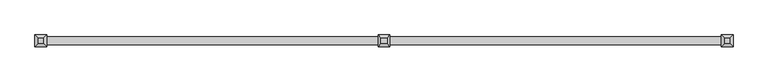
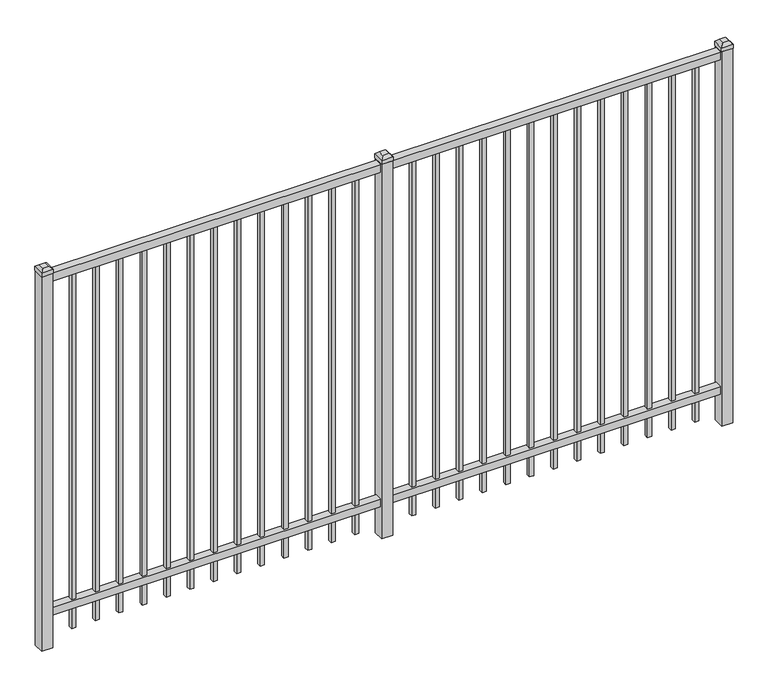
"""IFC4 building model written with IfcOpenShell, lengths in millimetres: railing geometry."""

from ifc_helpers import new_model, si_unit, frame, origin, origin_with_axes, place, context, project, spatial, polyline, outline, extrude, faceted_brep, source, transform, mapped, element, save


def railing_0611d5b8(model_context):
    return source(origin(), model_context, "Body", "SolidModel", [
        extrude(outline(polyline([(-67441.318087, 3004.8804826), (-67441.318087, 3039.8054826), (-64291.718087, 3039.8054826), (-64291.718087, 3004.8804826), (-67441.318087, 3004.8804826)])), frame((0.0, 0.0, 1790.7), z_axis=(0.0, 0.0, 1.0), x_axis=(1.0, 0.0, 0.0)), (0.0, 0.0, 1.0), 38.1),
        extrude(outline(polyline([(-67441.318087, 3004.8804826), (-67441.318087, 3039.8054826), (-64291.718087, 3039.8054826), (-64291.718087, 3004.8804826), (-67441.318087, 3004.8804826)])), frame((0.0, 0.0, 152.4), z_axis=(0.0, 0.0, 1.0), x_axis=(1.0, 0.0, 0.0)), (0.0, 0.0, 1.0), 38.1),
        extrude(outline(polyline([(-64523.2285036, 3031.8679826), (-64523.2285036, 3012.8179826), (-64542.2785036, 3012.8179826), (-64542.2785036, 3031.8679826), (-64523.2285036, 3031.8679826)])), frame((0.0, 0.0, 50.8), z_axis=(0.0, 0.0, 1.0), x_axis=(1.0, 0.0, 0.0)), (0.0, 0.0, 1.0), 1739.9),
        extrude(outline(polyline([(-64632.5014203, 3031.8679826), (-64632.5014203, 3012.8179826), (-64651.5514203, 3012.8179826), (-64651.5514203, 3031.8679826), (-64632.5014203, 3031.8679826)])), frame((0.0, 0.0, 50.8), z_axis=(0.0, 0.0, 1.0), x_axis=(1.0, 0.0, 0.0)), (0.0, 0.0, 1.0), 1739.9),
        extrude(outline(polyline([(-64741.774337, 3031.8679826), (-64741.774337, 3012.8179826), (-64760.824337, 3012.8179826), (-64760.824337, 3031.8679826), (-64741.774337, 3031.8679826)])), frame((0.0, 0.0, 50.8), z_axis=(0.0, 0.0, 1.0), x_axis=(1.0, 0.0, 0.0)), (0.0, 0.0, 1.0), 1739.9),
        extrude(outline(polyline([(-64851.0472536, 3031.8679826), (-64851.0472536, 3012.8179826), (-64870.0972536, 3012.8179826), (-64870.0972536, 3031.8679826), (-64851.0472536, 3031.8679826)])), frame((0.0, 0.0, 50.8), z_axis=(0.0, 0.0, 1.0), x_axis=(1.0, 0.0, 0.0)), (0.0, 0.0, 1.0), 1739.9),
        extrude(outline(polyline([(-64960.3201703, 3031.8679826), (-64960.3201703, 3012.8179826), (-64979.3701703, 3012.8179826), (-64979.3701703, 3031.8679826), (-64960.3201703, 3031.8679826)])), frame((0.0, 0.0, 50.8), z_axis=(0.0, 0.0, 1.0), x_axis=(1.0, 0.0, 0.0)), (0.0, 0.0, 1.0), 1739.9),
        extrude(outline(polyline([(-65069.593087, 3031.8679826), (-65069.593087, 3012.8179826), (-65088.643087, 3012.8179826), (-65088.643087, 3031.8679826), (-65069.593087, 3031.8679826)])), frame((0.0, 0.0, 50.8), z_axis=(0.0, 0.0, 1.0), x_axis=(1.0, 0.0, 0.0)), (0.0, 0.0, 1.0), 1739.9),
        extrude(outline(polyline([(-65178.8660036, 3031.8679826), (-65178.8660036, 3012.8179826), (-65197.9160036, 3012.8179826), (-65197.9160036, 3031.8679826), (-65178.8660036, 3031.8679826)])), frame((0.0, 0.0, 50.8), z_axis=(0.0, 0.0, 1.0), x_axis=(1.0, 0.0, 0.0)), (0.0, 0.0, 1.0), 1739.9),
        extrude(outline(polyline([(-65288.1389203, 3031.8679826), (-65288.1389203, 3012.8179826), (-65307.1889203, 3012.8179826), (-65307.1889203, 3031.8679826), (-65288.1389203, 3031.8679826)])), frame((0.0, 0.0, 50.8), z_axis=(0.0, 0.0, 1.0), x_axis=(1.0, 0.0, 0.0)), (0.0, 0.0, 1.0), 1739.9),
        extrude(outline(polyline([(-65397.411837, 3031.8679826), (-65397.411837, 3012.8179826), (-65416.461837, 3012.8179826), (-65416.461837, 3031.8679826), (-65397.411837, 3031.8679826)])), frame((0.0, 0.0, 50.8), z_axis=(0.0, 0.0, 1.0), x_axis=(1.0, 0.0, 0.0)), (0.0, 0.0, 1.0), 1739.9),
        extrude(outline(polyline([(-65506.6847536, 3031.8679826), (-65506.6847536, 3012.8179826), (-65525.7347536, 3012.8179826), (-65525.7347536, 3031.8679826), (-65506.6847536, 3031.8679826)])), frame((0.0, 0.0, 50.8), z_axis=(0.0, 0.0, 1.0), x_axis=(1.0, 0.0, 0.0)), (0.0, 0.0, 1.0), 1739.9),
        extrude(outline(polyline([(-65615.9576703, 3031.8679826), (-65615.9576703, 3012.8179826), (-65635.0076703, 3012.8179826), (-65635.0076703, 3031.8679826), (-65615.9576703, 3031.8679826)])), frame((0.0, 0.0, 50.8), z_axis=(0.0, 0.0, 1.0), x_axis=(1.0, 0.0, 0.0)), (0.0, 0.0, 1.0), 1739.9),
        extrude(outline(polyline([(-64413.955587, 3031.8679826), (-64413.955587, 3012.8179826), (-64433.005587, 3012.8179826), (-64433.005587, 3031.8679826), (-64413.955587, 3031.8679826)])), frame((0.0, 0.0, 50.8), z_axis=(0.0, 0.0, 1.0), x_axis=(1.0, 0.0, 0.0)), (0.0, 0.0, 1.0), 1739.9),
        extrude(outline(polyline([(-65725.230587, 3031.8679826), (-65725.230587, 3012.8179826), (-65744.280587, 3012.8179826), (-65744.280587, 3031.8679826), (-65725.230587, 3031.8679826)])), frame((0.0, 0.0, 50.8), z_axis=(0.0, 0.0, 1.0), x_axis=(1.0, 0.0, 0.0)), (0.0, 0.0, 1.0), 1739.9),
        extrude(outline(polyline([(-65841.118087, 3047.7429826), (-65841.118087, 2996.9429826), (-65891.918087, 2996.9429826), (-65891.918087, 3047.7429826), (-65841.118087, 3047.7429826)])), origin_with_axes(), (0.0, 0.0, 1.0), 1835.15),
        faceted_brep([(-65893.505587, 3049.3304826, 1854.2), (-65893.505587, 3049.3304826, 1835.15), (-65893.505587, 2995.3554826, 1835.15), (-65893.505587, 2995.3554826, 1854.2), (-65880.805587, 3036.6304826, 1866.9), (-65880.805587, 3008.0554826, 1866.9), (-65839.530587, 2995.3554826, 1835.15), (-65839.530587, 2995.3554826, 1854.2), (-65852.230587, 3008.0554826, 1866.9), (-65839.530587, 3049.3304826, 1835.15), (-65839.530587, 3049.3304826, 1854.2), (-65852.230587, 3036.6304826, 1866.9)], [[[0, 1, 2, 3]], [[4, 0, 3, 5]], [[3, 2, 6, 7]], [[5, 3, 7, 8]], [[7, 6, 9, 10]], [[8, 7, 10, 11]], [[10, 9, 1, 0]], [[11, 10, 0, 4]], [[5, 8, 11, 4]], [[1, 9, 6, 2]]]),
        extrude(outline(polyline([(-66098.0285036, 3031.8679826), (-66098.0285036, 3012.8179826), (-66117.0785036, 3012.8179826), (-66117.0785036, 3031.8679826), (-66098.0285036, 3031.8679826)])), frame((0.0, 0.0, 50.8), z_axis=(0.0, 0.0, 1.0), x_axis=(1.0, 0.0, 0.0)), (0.0, 0.0, 1.0), 1739.9),
        extrude(outline(polyline([(-66207.3014203, 3031.8679826), (-66207.3014203, 3012.8179826), (-66226.3514203, 3012.8179826), (-66226.3514203, 3031.8679826), (-66207.3014203, 3031.8679826)])), frame((0.0, 0.0, 50.8), z_axis=(0.0, 0.0, 1.0), x_axis=(1.0, 0.0, 0.0)), (0.0, 0.0, 1.0), 1739.9),
        extrude(outline(polyline([(-66316.574337, 3031.8679826), (-66316.574337, 3012.8179826), (-66335.624337, 3012.8179826), (-66335.624337, 3031.8679826), (-66316.574337, 3031.8679826)])), frame((0.0, 0.0, 50.8), z_axis=(0.0, 0.0, 1.0), x_axis=(1.0, 0.0, 0.0)), (0.0, 0.0, 1.0), 1739.9),
        extrude(outline(polyline([(-66425.8472536, 3031.8679826), (-66425.8472536, 3012.8179826), (-66444.8972536, 3012.8179826), (-66444.8972536, 3031.8679826), (-66425.8472536, 3031.8679826)])), frame((0.0, 0.0, 50.8), z_axis=(0.0, 0.0, 1.0), x_axis=(1.0, 0.0, 0.0)), (0.0, 0.0, 1.0), 1739.9),
        extrude(outline(polyline([(-66535.1201703, 3031.8679826), (-66535.1201703, 3012.8179826), (-66554.1701703, 3012.8179826), (-66554.1701703, 3031.8679826), (-66535.1201703, 3031.8679826)])), frame((0.0, 0.0, 50.8), z_axis=(0.0, 0.0, 1.0), x_axis=(1.0, 0.0, 0.0)), (0.0, 0.0, 1.0), 1739.9),
        extrude(outline(polyline([(-66644.393087, 3031.8679826), (-66644.393087, 3012.8179826), (-66663.443087, 3012.8179826), (-66663.443087, 3031.8679826), (-66644.393087, 3031.8679826)])), frame((0.0, 0.0, 50.8), z_axis=(0.0, 0.0, 1.0), x_axis=(1.0, 0.0, 0.0)), (0.0, 0.0, 1.0), 1739.9),
        extrude(outline(polyline([(-66753.6660036, 3031.8679826), (-66753.6660036, 3012.8179826), (-66772.7160036, 3012.8179826), (-66772.7160036, 3031.8679826), (-66753.6660036, 3031.8679826)])), frame((0.0, 0.0, 50.8), z_axis=(0.0, 0.0, 1.0), x_axis=(1.0, 0.0, 0.0)), (0.0, 0.0, 1.0), 1739.9),
        extrude(outline(polyline([(-66862.9389203, 3031.8679826), (-66862.9389203, 3012.8179826), (-66881.9889203, 3012.8179826), (-66881.9889203, 3031.8679826), (-66862.9389203, 3031.8679826)])), frame((0.0, 0.0, 50.8), z_axis=(0.0, 0.0, 1.0), x_axis=(1.0, 0.0, 0.0)), (0.0, 0.0, 1.0), 1739.9),
        extrude(outline(polyline([(-66972.211837, 3031.8679826), (-66972.211837, 3012.8179826), (-66991.261837, 3012.8179826), (-66991.261837, 3031.8679826), (-66972.211837, 3031.8679826)])), frame((0.0, 0.0, 50.8), z_axis=(0.0, 0.0, 1.0), x_axis=(1.0, 0.0, 0.0)), (0.0, 0.0, 1.0), 1739.9),
        extrude(outline(polyline([(-67081.4847536, 3031.8679826), (-67081.4847536, 3012.8179826), (-67100.5347536, 3012.8179826), (-67100.5347536, 3031.8679826), (-67081.4847536, 3031.8679826)])), frame((0.0, 0.0, 50.8), z_axis=(0.0, 0.0, 1.0), x_axis=(1.0, 0.0, 0.0)), (0.0, 0.0, 1.0), 1739.9),
        extrude(outline(polyline([(-67190.7576703, 3031.8679826), (-67190.7576703, 3012.8179826), (-67209.8076703, 3012.8179826), (-67209.8076703, 3031.8679826), (-67190.7576703, 3031.8679826)])), frame((0.0, 0.0, 50.8), z_axis=(0.0, 0.0, 1.0), x_axis=(1.0, 0.0, 0.0)), (0.0, 0.0, 1.0), 1739.9),
        extrude(outline(polyline([(-65988.755587, 3031.8679826), (-65988.755587, 3012.8179826), (-66007.805587, 3012.8179826), (-66007.805587, 3031.8679826), (-65988.755587, 3031.8679826)])), frame((0.0, 0.0, 50.8), z_axis=(0.0, 0.0, 1.0), x_axis=(1.0, 0.0, 0.0)), (0.0, 0.0, 1.0), 1739.9),
        extrude(outline(polyline([(-67300.030587, 3031.8679826), (-67300.030587, 3012.8179826), (-67319.080587, 3012.8179826), (-67319.080587, 3031.8679826), (-67300.030587, 3031.8679826)])), frame((0.0, 0.0, 50.8), z_axis=(0.0, 0.0, 1.0), x_axis=(1.0, 0.0, 0.0)), (0.0, 0.0, 1.0), 1739.9),
        extrude(outline(polyline([(-64266.318087, 3047.7429826), (-64266.318087, 2996.9429826), (-64317.118087, 2996.9429826), (-64317.118087, 3047.7429826), (-64266.318087, 3047.7429826)])), origin_with_axes(), (0.0, 0.0, 1.0), 1835.15),
        faceted_brep([(-64318.705587, 3049.3304826, 1854.2), (-64318.705587, 3049.3304826, 1835.15), (-64318.705587, 2995.3554826, 1835.15), (-64318.705587, 2995.3554826, 1854.2), (-64306.005587, 3036.6304826, 1866.9), (-64306.005587, 3008.0554826, 1866.9), (-64264.730587, 2995.3554826, 1835.15), (-64264.730587, 2995.3554826, 1854.2), (-64277.430587, 3008.0554826, 1866.9), (-64264.730587, 3049.3304826, 1835.15), (-64264.730587, 3049.3304826, 1854.2), (-64277.430587, 3036.6304826, 1866.9)], [[[0, 1, 2, 3]], [[4, 0, 3, 5]], [[3, 2, 6, 7]], [[5, 3, 7, 8]], [[7, 6, 9, 10]], [[8, 7, 10, 11]], [[10, 9, 1, 0]], [[11, 10, 0, 4]], [[5, 8, 11, 4]], [[1, 9, 6, 2]]]),
        extrude(outline(polyline([(-67415.918087, 3047.7429826), (-67415.918087, 2996.9429826), (-67466.718087, 2996.9429826), (-67466.718087, 3047.7429826), (-67415.918087, 3047.7429826)])), origin_with_axes(), (0.0, 0.0, 1.0), 1835.15),
        faceted_brep([(-67468.305587, 3049.3304826, 1854.2), (-67468.305587, 3049.3304826, 1835.15), (-67468.305587, 2995.3554826, 1835.15), (-67468.305587, 2995.3554826, 1854.2), (-67455.605587, 3036.6304826, 1866.9), (-67455.605587, 3008.0554826, 1866.9), (-67414.330587, 2995.3554826, 1835.15), (-67414.330587, 2995.3554826, 1854.2), (-67427.030587, 3008.0554826, 1866.9), (-67414.330587, 3049.3304826, 1835.15), (-67414.330587, 3049.3304826, 1854.2), (-67427.030587, 3036.6304826, 1866.9)], [[[0, 1, 2, 3]], [[4, 0, 3, 5]], [[3, 2, 6, 7]], [[5, 3, 7, 8]], [[7, 6, 9, 10]], [[8, 7, 10, 11]], [[10, 9, 1, 0]], [[11, 10, 0, 4]], [[5, 8, 11, 4]], [[1, 9, 6, 2]]]),
    ])


if __name__ == "__main__":
    model = new_model("IFC4")
    model_context = context("Model", 3, world=origin())
    ifc_project = project(units=[si_unit("LENGTHUNIT", "METRE", prefix="MILLI")], contexts=[model_context])
    site = spatial("IfcSite", under=ifc_project)
    building = spatial("IfcBuilding", under=site)
    placement = place(None, origin())
    railing_shape = railing_0611d5b8(model_context)
    element("IfcRailing", 1, at=placement, inside=building, context=model_context, shape_type="MappedRepresentation", body=[
        mapped(railing_shape, transform((0.0, 0.0, 0.0), x_axis=(1.0, 0.0, 0.0), y_axis=(0.0, 1.0, 0.0), z_axis=(0.0, 0.0, 1.0))),
    ])
    save(model, "model.ifc")
